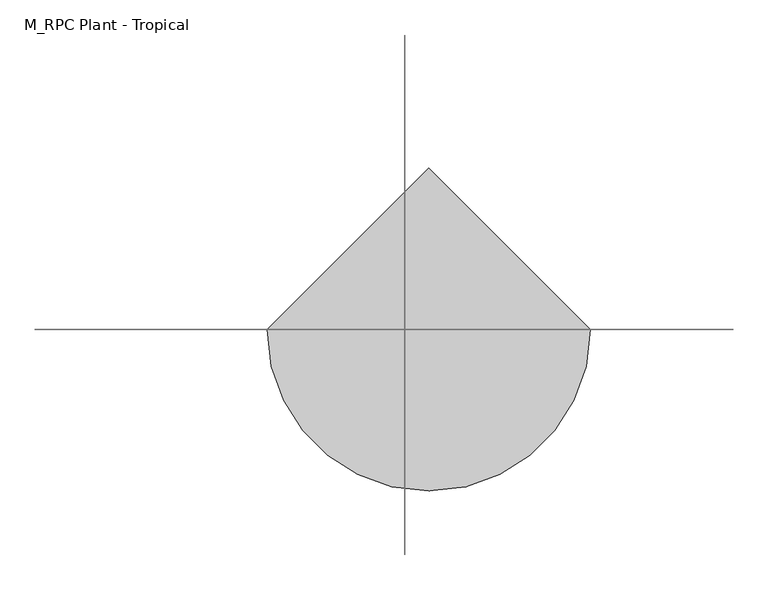
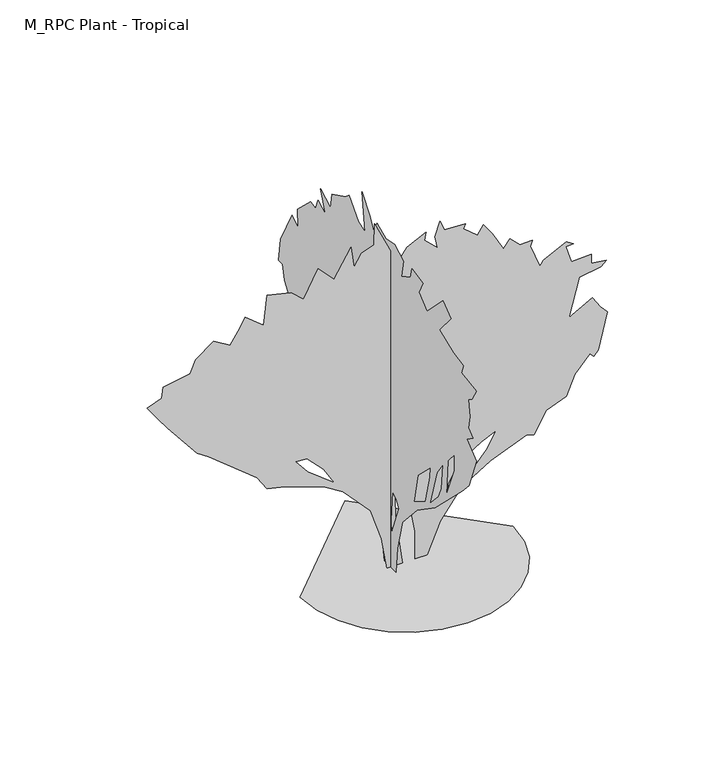
"""IFC4 building model written with IfcOpenShell, lengths in millimetres: geographic element geometry, M_RPC Plant - Tropical."""

import ifcopenshell
import ifcopenshell.guid

model = None  # the IFC model being written
_history = None  # IfcOwnerHistory: only IFC2X3 demands one
_inside = {}  # id of a spatial element -> (the spatial element, [elements in it])
_under = {}  # id of a project, library or spatial element -> (it, [spatial elements below it])
_declared = {}  # id of a project -> (the project, [libraries it declares])
_typed = {}  # id of a type object -> (the type object, [elements of that type])
_made_of = {}  # id of a material, layer set ... -> (it, [elements and type objects made of it])


def new_model(schema):
    """Start an empty IFC model of exactly this schema.

    Asked for "IFC4X3", IfcOpenShell would pick the latest addendum, in which some entities
    have other attributes; the version numbers below select the first issue.
    IFC2X3 requires an IfcOwnerHistory on every rooted entity: one is made here for all.
    """
    global model, _history
    if schema == "IFC4X3":
        model = ifcopenshell.file(schema_version=(4, 3, 0, 0))
    else:
        model = ifcopenshell.file(schema=schema)
    _inside.clear()
    _under.clear()
    _declared.clear()
    _typed.clear()
    _made_of.clear()
    _history = None
    if model.schema == "IFC2X3":
        org = make("IfcOrganization", Name="unknown")
        user = make(
            "IfcPersonAndOrganization",
            ThePerson=make("IfcPerson", FamilyName="unknown"),
            TheOrganization=org,
        )
        app = make(
            "IfcApplication",
            ApplicationDeveloper=org,
            Version="unknown",
            ApplicationFullName="unknown",
            ApplicationIdentifier="unknown",
        )
        _history = make(
            "IfcOwnerHistory",
            OwningUser=user,
            OwningApplication=app,
            ChangeAction="ADDED",
            CreationDate=0,
        )
    return model


def make(cls, **values):
    """One entity of the class cls with the attributes given. An attribute that is None is left unset."""
    return model.create_entity(
        cls, **{name: value for name, value in values.items() if value is not None}
    )


def rooted(cls, **values):
    """An entity with a GlobalId (a new one), such as an element, a storey or a relation."""
    return make(cls, GlobalId=ifcopenshell.guid.new(), OwnerHistory=_history, **values)


def si_unit(unit_type, name, prefix=None):
    """IfcSIUnit, for example si_unit("LENGTHUNIT", "METRE", prefix="MILLI")."""
    return make("IfcSIUnit", UnitType=unit_type, Prefix=prefix, Name=name)


def assignment(units):
    """IfcUnitAssignment: the units of a project."""
    return None if units is None else make("IfcUnitAssignment", Units=units)


def point(xyz):
    """IfcCartesianPoint."""
    return None if xyz is None else make("IfcCartesianPoint", Coordinates=xyz)


def direction(xyz):
    """IfcDirection."""
    return None if xyz is None else make("IfcDirection", DirectionRatios=xyz)


def frame(location, z_axis=None, x_axis=None):
    """IfcAxis2Placement3D, a coordinate frame: its origin and axes. An axis left out is left unset."""
    return make(
        "IfcAxis2Placement3D",
        Location=point(location),
        Axis=direction(z_axis),
        RefDirection=direction(x_axis),
    )


def origin():
    """The frame at (0, 0, 0) with its axes left unset."""
    return frame((0.0, 0.0, 0.0))


def place(relative_to, where):
    """IfcLocalPlacement: puts the frame where relative to a parent placement (None: the world)."""
    return make(
        "IfcLocalPlacement", PlacementRelTo=relative_to, RelativePlacement=where
    )


def context(
    kind, dimensions, precision=None, world=None, true_north=None, identifier=None
):
    """IfcGeometricRepresentationContext, for example the 3D "Model" context."""
    return make(
        "IfcGeometricRepresentationContext",
        ContextIdentifier=identifier,
        ContextType=kind,
        CoordinateSpaceDimension=dimensions,
        Precision=precision,
        WorldCoordinateSystem=world,
        TrueNorth=true_north,
    )


def project(units=None, contexts=None):
    """IfcProject with its units and contexts."""
    return rooted(
        "IfcProject",
        Name="project",
        RepresentationContexts=contexts,
        UnitsInContext=assignment(units),
    )


def spatial(cls, under=None, at=None, **own):
    """A site, building, storey or space (cls), placed at a placement, below another one or the project."""
    s = rooted(cls, ObjectPlacement=at, **own)
    if under is not None:
        _under.setdefault(under.id(), (under, []))[1].append(s)
    return s


def point_list(points):
    """IfcCartesianPointList2D or 3D."""
    cls = (
        "IfcCartesianPointList2D" if len(points[0]) == 2 else "IfcCartesianPointList3D"
    )
    return make(cls, CoordList=points)


def triangles(points, corners, closed=None, point_numbers=None):
    """IfcTriangulatedFaceSet: each triangle names its three corners, points numbered from 1."""
    return make(
        "IfcTriangulatedFaceSet",
        Coordinates=point_list(points),
        Closed=closed,
        CoordIndex=corners,
        PnIndex=point_numbers,
    )


def shape(context_of_items, identifier, shape_type, items):
    """IfcShapeRepresentation: the items that make up one representation, for example the "Body"."""
    return make(
        "IfcShapeRepresentation",
        ContextOfItems=context_of_items,
        RepresentationIdentifier=identifier,
        RepresentationType=shape_type,
        Items=items,
    )


def source(mapping_origin, context_of_items, identifier, shape_type, items):
    """IfcRepresentationMap: a shape defined once, which mapped items show again and again."""
    return make(
        "IfcRepresentationMap",
        MappingOrigin=mapping_origin,
        MappedRepresentation=shape(context_of_items, identifier, shape_type, items),
    )


def transform(
    local_origin,
    x_axis=None,
    y_axis=None,
    z_axis=None,
    scale=None,
    scale2=None,
    scale3=None,
    uniform=True,
):
    """IfcCartesianTransformationOperator3D, or its non-uniform kind. x_axis, y_axis, z_axis: its Axis1, 2, 3."""
    if uniform:
        return make(
            "IfcCartesianTransformationOperator3D",
            Axis1=direction(x_axis),
            Axis2=direction(y_axis),
            LocalOrigin=point(local_origin),
            Scale=scale,
            Axis3=direction(z_axis),
        )
    return make(
        "IfcCartesianTransformationOperator3DnonUniform",
        Axis1=direction(x_axis),
        Axis2=direction(y_axis),
        LocalOrigin=point(local_origin),
        Scale=scale,
        Axis3=direction(z_axis),
        Scale2=scale2,
        Scale3=scale3,
    )


def mapped(mapping_source, mapping_target):
    """IfcMappedItem: shows the shape of a source again, moved by a transform."""
    return make(
        "IfcMappedItem", MappingSource=mapping_source, MappingTarget=mapping_target
    )


def made_of(thing, what):
    """Note that an element or type object is made of a material, layer set ...; save() writes the relation."""
    if what is not None:
        _made_of.setdefault(what.id(), (what, []))[1].append(thing)
    return thing


def element(
    cls,
    number,
    at=None,
    inside=None,
    cuts=None,
    type_object=None,
    material=None,
    context=None,
    identifier="Body",
    shape_type=None,
    held_by="IfcProductDefinitionShape",
    body=None,
    shapes=None,
    **own,
):
    """One element of the class cls, such as IfcWall. Its Tag is "e" and its number.

    at: its placement. inside: the storey or other place that contains it. cuts: it is an
    opening in that element (IfcRelVoidsElement). A single representation is given by context,
    identifier, shape_type and body (its items); several are given by shapes. held_by: the class
    of the entity that holds the representations. save() writes the other relations.
    """
    e = rooted(cls, Tag="e%d" % number, ObjectPlacement=at, **own)
    if body is not None:
        shapes = [shape(context, identifier, shape_type, body)]
    if shapes is not None:
        e.Representation = make(held_by, Representations=shapes)
    if inside is not None:
        _inside.setdefault(inside.id(), (inside, []))[1].append(e)
    if cuts is not None:
        rooted(
            "IfcRelVoidsElement", RelatingBuildingElement=cuts, RelatedOpeningElement=e
        )
    if type_object is not None:
        _typed.setdefault(type_object.id(), (type_object, []))[1].append(e)
    return made_of(e, material)


def aggregate(whole, parts):
    """IfcRelAggregates: a whole, such as a stair, and the parts it consists of."""
    return rooted("IfcRelAggregates", RelatingObject=whole, RelatedObjects=parts)


def save(model, path):
    """Write the relations noted so far, then the file.

    IfcRelAggregates (storeys below a building ...), IfcRelContainedInSpatialStructure (elements
    in a storey), IfcRelDefinesByType, IfcRelAssociatesMaterial and IfcRelDeclares: one each for
    every whole, place, type object, material and project.
    """
    for whole, parts in _under.values():
        aggregate(whole, parts)
    for where, things in _inside.values():
        rooted(
            "IfcRelContainedInSpatialStructure",
            RelatedElements=things,
            RelatingStructure=where,
        )
    for kind, things in _typed.values():
        rooted("IfcRelDefinesByType", RelatedObjects=things, RelatingType=kind)
    for what, things in _made_of.values():
        rooted("IfcRelAssociatesMaterial", RelatedObjects=things, RelatingMaterial=what)
    for by, libraries in _declared.values():
        rooted("IfcRelDeclares", RelatingContext=by, RelatedDefinitions=libraries)
    model.write(path)


def m_rpc_plant_tropical_2c41b592(model_context):
    return source(origin(), model_context, "Body", "Tessellation", [
        triangles([(-375.4884905, 0.0, 7.79e-05), (-365.5579556, -86.0825454, 7.79e-05), (-337.2709468, -165.135469, 7.79e-05), (-292.8976742, -234.8941107, 7.79e-05), (-234.6974476, -293.0943373, 7.79e-05), (-164.9388059, -337.4676281, 7.79e-05), (-85.8858732, -365.754637, 7.79e-05), (0.1966875, -375.6851718, 7.79e-05), (86.2792176, -365.754637, 7.79e-05), (165.3321321, -337.4676281, 7.79e-05), (235.0907739, -293.0943373, 7.79e-05), (293.2910005, -234.8941107, 7.79e-05), (337.6643094, -165.135469, 7.79e-05), (365.9513183, -86.0825454, 7.79e-05), (375.8818531, 3.28e-05, 7.79e-05), (0.1966218, 375.6851718, 7.79e-05), (-56.0624574, -33.1786139, 8.78e-05), (-56.0624574, -42.5282544, 96.2451609), (-56.0624574, -71.5343555, 210.4565399), (-56.0624574, -160.1745255, 309.2672782), (-56.0624574, -270.9510305, 384.4938638), (-56.0626981, -435.2612228, 546.2377702), (-56.0626981, -477.6195385, 592.9751427), (-56.0626981, -524.2726138, 711.9803787), (-56.0626981, -465.9556429, 758.0220451), (-56.0626981, -502.7865343, 785.6445597), (-56.0626981, -475.161549, 807.1306755), (-56.0626981, -484.3698895, 853.1698711), (-56.0626981, -475.161549, 911.4868784), (-56.0626981, -496.6476648, 926.8340521), (-56.0626981, -524.2726138, 972.8733204), (-56.0626981, -432.1917881, 985.1510593), (-56.0626981, -444.9871553, 1020.8143621), (-56.0626981, -383.0831214, 1031.190255), (-56.0626981, -297.1411833, 1064.9541098), (-56.0626981, -367.7359114, 1147.8265949), (-56.0626981, -318.627281, 1184.6574863), (-56.0626981, -223.4774747, 1089.5096603), (-56.0626981, -174.3676271, 1129.4099865), (-56.0626981, -198.9224329, 1178.5186169), (-56.0626981, -131.6679624, 1190.7361851), (-56.0626981, -122.1890443, 1153.9655371), (-56.0626981, -66.9410266, 1123.271117), (-56.0626981, -79.2185476, 1187.7269938), (-56.0626981, -24.1154566, 1217.1406054), (-56.0626981, 28.2082868, 1206.1436022), (-56.0626981, 81.517626, 1231.5296253), (-56.0626981, 104.9414324, 1190.7964285), (-56.0626981, 126.4268034, 1230.6991528), (-56.0626981, 175.5359425, 1292.0855221), (-56.0624574, 157.1202424, 1153.9655371), (-56.0624574, 197.0215496, 1166.2408779), (-56.0624574, 252.4597537, 1232.0617149), (-56.0624574, 276.8250906, 1212.2824717), (-56.0624574, 356.625761, 1172.3797474), (-56.0624574, 365.8340652, 1117.1322475), (-56.0624574, 427.2205072, 1150.8961023), (-56.0624574, 396.5284853, 1074.162414), (-56.0624574, 442.5677173, 1098.7155664), (-56.0624574, 459.0030513, 1058.7935846), (-56.0624574, 488.609311, 1064.9541098), (-56.0624574, 568.4099997, 988.2204941), (-56.0624574, 565.3405286, 923.7646173), (-56.0624574, 602.1738544, 945.2507332), (-56.0624574, 672.7686007, 813.269545), (-56.0624574, 685.0463396, 727.3276251), (-56.0624574, 660.490789, 727.3276251), (-56.0624574, 648.2130501, 675.1494873), (-56.0624574, 586.8266444, 589.2075674), (-56.0624574, 556.1322244, 595.3464369), (-56.0624574, 546.9263183, 564.6520168), (-56.0624574, 516.2318982, 558.5131474), (-56.0624574, 485.5398763, 487.9184011), (-56.0624574, 430.289942, 475.6430603), (-56.0624574, 448.7065867, 454.1569445), (-56.0624574, 415.214772, 410.6094209), (-56.0624574, 402.6673911, 408.1177488), (-56.0624574, 340.8957619, 368.1187005), (-56.0624574, 218.5268867, 315.6035557), (-56.0624574, 106.7780391, 213.0577437), (-56.0624574, 52.2686164, 82.7083237), (-56.0624574, 37.4158893, 7.94e-05), (-56.0624574, -5.5545812, 128.8074811), (-56.0624574, -2.644053, 176.4642288), (-56.0624574, -11.6931998, 288.4119378), (-56.0624574, -36.2478147, 273.0671259), (-56.0624574, -51.5945388, 248.5116117), (-56.0624574, -143.6744152, 331.3840968), (-56.0624574, -168.2292119, 444.9486403), (-56.0624574, -244.9630819, 518.6128212), (-56.0624574, -241.8936471, 481.7819298), (-56.0624574, -214.2691524, 374.353894), (-56.0624574, -241.8936471, 383.5621983), (-56.0624574, -281.7939733, 521.6822559), (-56.0624574, -319.898388, 574.844963), (-56.0624574, -309.4189404, 478.712495), (-56.0624574, -291.0022957, 438.8097344), (-56.0624574, -340.1109624, 475.6430603), (-56.0626981, -349.3192666, 607.6242122), (-56.0626981, -389.2220272, 653.6634441), (-56.0626981, -389.2220272, 595.3464369), (-56.0624574, 187.8134634, 337.5230026), (-56.0624574, 248.1047506, 371.2579711), (-56.0624574, 307.5170943, 451.0875097), (-56.0624574, 267.6167682, 444.9486403), (-56.0624574, 239.9920372, 408.1177488), (-253.1441959, 2.47e-05, 383.5621983), (-292.303052, 2.1e-05, 446.710851), (-351.3614748, 1.74e-05, 506.3350459), (-391.2642354, 1.72e-05, 509.4044806), (-348.992615, 2.03e-05, 457.0097136), (29.2343075, 4.76e-05, 0.0), (29.702066, 4.15e-05, 102.5157266), (8.7929124, 3.42e-05, 225.0870785), (-44.429392, 2.89e-05, 312.967452), (-37.1758853, 3.8e-05, 161.50871), (-13.7359927, 4.76e-05, 0.0), (-68.9839615, 4.76e-05, 0.0), (-87.936502, 4.07e-05, 116.1866581), (-127.1880306, 3.36e-05, 234.2532705), (-223.5588651, 2.73e-05, 340.0243034), (-286.2339821, 2.51e-05, 378.0444391), (-428.0951268, 2.2e-05, 429.6014302), (-492.5533653, 2.11e-05, 444.9486403), (-526.314822, 1.8e-05, 497.1267417), (-698.1963364, 9.7e-06, 635.246763), (-738.0991333, 8.1e-06, 662.8717484), (-842.4552635, 4e-07, 791.7835018), (-876.2191183, -2.4e-06, 837.8226974), (-914.9976379, -5.7e-06, 893.2700397), (-863.9413794, -6.7e-06, 911.4868784), (-857.8025099, -9.1e-06, 951.3896027), (-762.6522131, -1e-05, 966.7343782), (-744.2380028, -1.28e-05, 1012.7760447), (-679.782126, -1.55e-05, 1058.8152403), (-621.4627207, -1.35e-05, 1025.0537836), (-587.701264, -1.66e-05, 1077.2319214), (-569.2845829, -1.86e-05, 1110.9933054), (-504.8287425, -1.55e-05, 1058.8152403), (-492.5533653, -2.19e-05, 1166.2408779), (-406.6114454, -2.06e-05, 1144.7571602), (-363.6392501, -1.83e-05, 1104.8544359), (-311.4611486, -2.39e-05, 1200.0047327), (-256.2136306, -2.05e-05, 1141.6877254), (-194.8264983, -2.63e-05, 1239.9049862), (-185.6188844, -2.17e-05, 1163.1738413), (-158.7149307, -2.42e-05, 1204.4849098), (-115.023902, -2.52e-05, 1221.4908485), (-113.3168024, -2.99e-05, 1299.9987019), (-32.1521118, -1.95e-05, 1126.3405518), (2.3780833, -2.22e-05, 1170.9352861), (69.1360825, -2.41e-05, 1203.0741674), (62.9974447, -2.25e-05, 1175.4491821), (109.0373761, -1.99e-05, 1132.4794212), (99.829299, -2.25e-05, 1175.4491821), (118.2454623, -2.56e-05, 1227.629718), (133.5921909, -2.34e-05, 1190.7964285), (207.2561175, -2.32e-05, 1187.7269938), (200.3117194, -2.22e-05, 1171.2843927), (250.2273318, -1.97e-05, 1129.4099865), (271.7110132, -2.16e-05, 1160.1044065), (302.4054332, -1.9e-05, 1117.1322475), (342.3057775, -1.48e-05, 1046.5375013), (365.1761476, -1.66e-05, 1076.456678), (400.6251829, -1.44e-05, 1040.3985592), (443.5949438, -1.46e-05, 1043.4680666), (437.4560743, -1.33e-05, 1021.9843489), (471.2199291, -8.2e-06, 936.042429), (483.49527, -9.3e-06, 954.4590374), (563.2983567, -1.17e-05, 994.3593636), (587.853871, -1.08e-05, 979.0121899), (562.515919, -1.07e-05, 977.2812635), (581.7150015, -6.9e-06, 914.5563131), (652.309675, -7.1e-06, 917.6257479), (652.309675, -5.1e-06, 883.8642912), (704.4878128, -4.7e-06, 877.7254217), (686.0711317, -3.6e-06, 859.3087406), (609.3375524, -2.9e-06, 847.0310017), (572.5066609, 5.3e-06, 708.910944), (655.3791098, 2.6e-06, 754.9526104), (683.001697, 5.2e-06, 711.9803787), (707.5572475, 6.8e-06, 684.3578642), (676.8628275, 1.47e-05, 552.3742779), (661.5180519, 1.58e-05, 533.9600312), (646.1708055, 1.48e-05, 549.3072412), (593.9927404, 1.83e-05, 490.9878359), (563.2983567, 2.25e-05, 420.3930897), (492.7036105, 2.42e-05, 392.7705388), (449.7338133, 2.88e-05, 316.0369231), (425.178299, 2.82e-05, 325.2452273), (295.6935973, 3.13e-05, 272.9973264), (194.6586488, 3.51e-05, 209.7006267), (118.9590179, 4.1e-05, 111.0080952), (72.2052856, 4.76e-05, 0.0), (29.2343075, 3.17e-05, 266.9282564), (41.5120737, 2.58e-05, 365.1455535), (7.7493748, 2.16e-05, 435.7402997), (-29.0826702, 2.33e-05, 408.1177488), (-36.4808674, 2.58e-05, 365.9568412), (-2.3289134, 2.97e-05, 299.394516), (142.8000318, 3.55e-05, 202.471435), (204.0148001, 3.39e-05, 230.2374727), (281.2443521, 2.85e-05, 319.9007861), (314.6832267, 2.51e-05, 377.4233288), (263.7617709, 2.64e-05, 355.4870587), (185.3342906, 2.95e-05, 303.6652582), (146.8849115, 3.34e-05, 238.7396972)], [[15, 16, 1], [14, 15, 1], [14, 1, 2], [13, 14, 2], [13, 2, 3], [13, 3, 4], [12, 13, 4], [11, 12, 4], [11, 4, 5], [11, 5, 6], [11, 6, 7], [11, 7, 8], [11, 8, 9], [11, 9, 10], [93, 90, 91], [93, 91, 92], [90, 93, 94], [95, 98, 99], [83, 17, 18], [98, 95, 96], [49, 50, 51], [56, 57, 58], [88, 85, 86], [48, 49, 51], [102, 84, 85], [83, 18, 19], [87, 83, 19], [30, 31, 32], [87, 19, 20], [39, 40, 41], [39, 41, 42], [25, 26, 27], [29, 30, 32], [82, 17, 83], [81, 82, 83], [80, 81, 83], [80, 83, 84], [80, 84, 102], [79, 80, 102], [79, 102, 103], [78, 79, 103], [78, 103, 104], [77, 78, 104], [32, 33, 34], [65, 66, 67], [58, 59, 60], [35, 36, 37], [35, 37, 38], [88, 86, 87], [88, 87, 20], [92, 88, 20], [92, 20, 21], [93, 92, 21], [97, 93, 21], [97, 21, 22], [63, 64, 65], [52, 53, 54], [46, 47, 48], [74, 75, 76], [23, 24, 25], [43, 44, 45], [43, 45, 46], [98, 96, 97], [98, 97, 22], [101, 98, 22], [101, 22, 23], [101, 23, 25], [100, 101, 25], [68, 69, 70], [74, 76, 77], [74, 77, 104], [70, 71, 72], [85, 88, 89], [102, 85, 89], [106, 102, 89], [105, 106, 89], [52, 54, 55], [52, 55, 56], [60, 61, 62], [60, 62, 63], [39, 42, 43], [72, 73, 74], [43, 46, 48], [43, 48, 51], [63, 65, 67], [90, 94, 95], [105, 89, 90], [38, 39, 43], [63, 67, 68], [63, 68, 70], [63, 70, 72], [60, 63, 72], [58, 60, 72], [58, 72, 74], [58, 74, 104], [58, 104, 105], [58, 105, 90], [56, 58, 90], [52, 56, 90], [51, 52, 90], [43, 51, 90], [38, 43, 90], [38, 90, 95], [38, 95, 99], [38, 99, 100], [35, 38, 100], [35, 100, 25], [35, 25, 27], [34, 35, 27], [32, 34, 27], [29, 32, 27], [28, 29, 27], [196, 112, 113], [196, 197, 201], [195, 196, 113], [195, 113, 114], [148, 149, 150], [112, 196, 201], [170, 171, 172], [207, 201, 197], [144, 145, 146], [155, 156, 157], [175, 176, 177], [175, 177, 178], [151, 152, 153], [194, 112, 201], [193, 194, 201], [192, 193, 201], [192, 201, 202], [191, 192, 202], [191, 202, 203], [195, 114, 115], [200, 195, 115], [199, 200, 115], [169, 170, 172], [206, 207, 197], [157, 158, 159], [165, 166, 167], [160, 161, 162], [142, 143, 144], [129, 130, 131], [116, 117, 118], [116, 118, 119], [116, 119, 120], [115, 116, 120], [107, 115, 120], [107, 120, 121], [107, 121, 122], [111, 107, 122], [111, 122, 123], [110, 111, 123], [137, 138, 139], [199, 115, 107], [163, 164, 165], [139, 140, 141], [183, 184, 185], [190, 191, 203], [190, 203, 204], [173, 174, 175], [173, 175, 178], [169, 172, 173], [179, 180, 181], [198, 199, 107], [139, 141, 142], [188, 189, 190], [110, 123, 124], [110, 124, 125], [168, 169, 173], [154, 155, 157], [154, 157, 159], [131, 132, 133], [182, 183, 185], [188, 190, 204], [147, 148, 150], [146, 147, 150], [205, 206, 197], [136, 137, 139], [181, 182, 185], [179, 181, 185], [179, 185, 186], [134, 135, 136], [198, 107, 108], [154, 159, 160], [133, 134, 136], [168, 173, 178], [168, 178, 179], [129, 131, 133], [128, 129, 133], [127, 128, 133], [127, 133, 136], [126, 127, 136], [126, 136, 139], [125, 126, 139], [110, 125, 139], [110, 139, 142], [109, 110, 142], [109, 142, 144], [109, 144, 146], [109, 146, 150], [108, 109, 150], [198, 108, 150], [197, 198, 150], [205, 197, 150], [204, 205, 150], [188, 204, 150], [187, 188, 150], [186, 187, 150], [179, 186, 150], [168, 179, 150], [167, 168, 150], [150, 151, 153], [150, 153, 154], [160, 162, 163], [154, 160, 163], [150, 154, 163], [167, 150, 163], [167, 163, 165]], closed=False),
    ])


if __name__ == "__main__":
    model = new_model("IFC4")
    model_context = context("Model", 3, world=origin())
    ifc_project = project(units=[si_unit("LENGTHUNIT", "METRE", prefix="MILLI")], contexts=[model_context])
    site = spatial("IfcSite", under=ifc_project)
    building = spatial("IfcBuilding", under=site)
    placement = place(None, origin())
    m_rpc_plant_tropical_shape = m_rpc_plant_tropical_2c41b592(model_context)
    element("IfcGeographicElement", 1, ObjectType="M_RPC Plant - Tropical", at=placement, inside=building, context=model_context, shape_type="MappedRepresentation", body=[
        mapped(m_rpc_plant_tropical_shape, transform((0.0, 0.0, 0.0), x_axis=(1.0, 0.0, 0.0), y_axis=(0.0, 1.0, 0.0), z_axis=(0.0, 0.0, 1.0))),
    ])
    save(model, "model.ifc")
